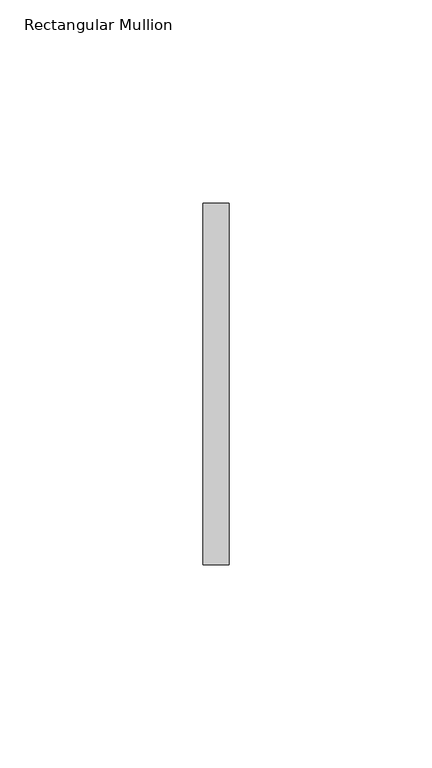
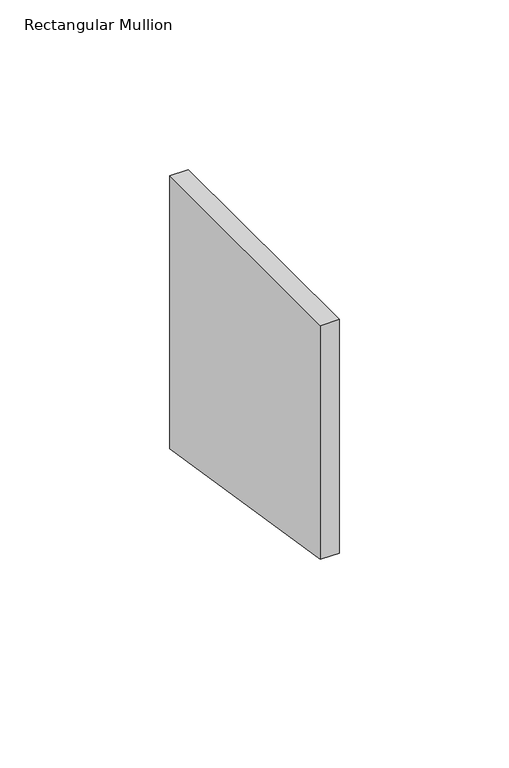
"""IFC4 building model written with IfcOpenShell, lengths in millimetres: member geometry, Rectangular Mullion."""

from ifc_helpers import new_model, si_unit, frame, origin, place, context, project, spatial, polyline, outline, extrude, source, transform, mapped, element, save


def rectangular_mullion_f48301f1(model_context):
    return source(origin(), model_context, "Body", "SweptSolid", [
        extrude(outline(polyline([(-44.45, 0.0), (44.45, 0.0), (44.45, -98.1201099), (-44.45, -84.0710126), (-44.45, 0.0)])), frame((-6.35, 0.0, 0.0), z_axis=(1.0, 0.0, 0.0), x_axis=(0.0, 1.0, 0.0)), (0.0, 0.0, 1.0), 6.35),
    ])


if __name__ == "__main__":
    model = new_model("IFC4")
    model_context = context("Model", 3, world=origin())
    ifc_project = project(units=[si_unit("LENGTHUNIT", "METRE", prefix="MILLI")], contexts=[model_context])
    site = spatial("IfcSite", under=ifc_project)
    building = spatial("IfcBuilding", under=site)
    placement = place(None, origin())
    rectangular_mullion_shape = rectangular_mullion_f48301f1(model_context)
    element("IfcMember", 1, ObjectType="Rectangular Mullion", at=placement, inside=building, context=model_context, shape_type="MappedRepresentation", body=[
        mapped(rectangular_mullion_shape, transform((0.0, 0.0, 0.0), x_axis=(1.0, 0.0, 0.0), y_axis=(0.0, 1.0, 0.0), z_axis=(0.0, 0.0, 1.0))),
    ])
    save(model, "model.ifc")
